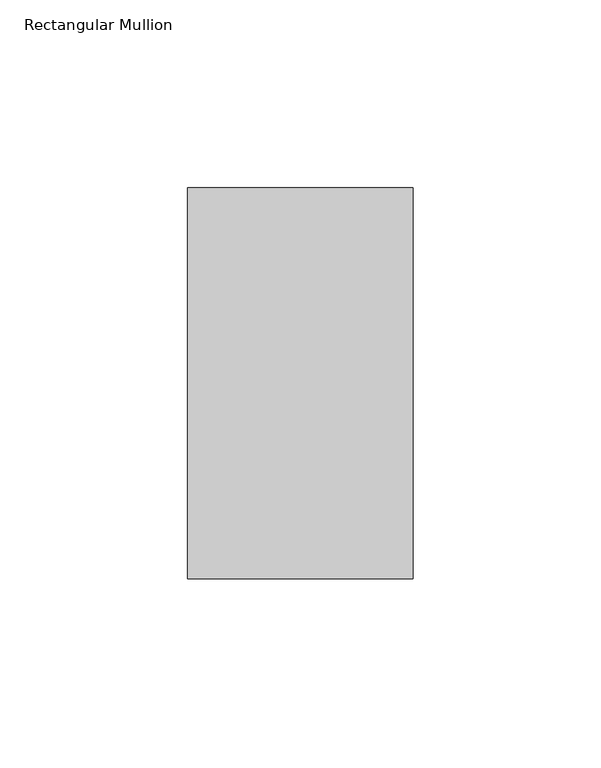
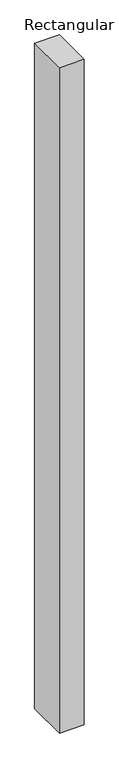
"""IFC4 building model written with IfcOpenShell, lengths in millimetres: member geometry, Rectangular Mullion."""

from ifc_helpers import new_model, si_unit, frame, origin, place, context, project, spatial, polyline, outline, extrude, source, transform, mapped, element, save


def rectangular_mullion_4e22a316(model_context):
    return source(origin(), model_context, "Body", "SweptSolid", [
        extrude(outline(polyline([(30.0, 67.525), (30.0, -36.525), (-30.0, -36.525), (-30.0, 67.525), (30.0, 67.525)])), frame((0.0, 0.0, -1708.8912252), z_axis=(0.0, 0.0, 1.0), x_axis=(1.0, 0.0, 0.0)), (0.0, 0.0, 1.0), 1708.8912252),
    ])


if __name__ == "__main__":
    model = new_model("IFC4")
    model_context = context("Model", 3, world=origin())
    ifc_project = project(units=[si_unit("LENGTHUNIT", "METRE", prefix="MILLI")], contexts=[model_context])
    site = spatial("IfcSite", under=ifc_project)
    building = spatial("IfcBuilding", under=site)
    placement = place(None, origin())
    rectangular_mullion_shape = rectangular_mullion_4e22a316(model_context)
    element("IfcMember", 1, ObjectType="Rectangular Mullion", at=placement, inside=building, context=model_context, shape_type="MappedRepresentation", body=[
        mapped(rectangular_mullion_shape, transform((0.0, 0.0, 0.0), x_axis=(1.0, 0.0, 0.0), y_axis=(0.0, 1.0, 0.0), z_axis=(0.0, 0.0, 1.0))),
    ])
    save(model, "model.ifc")
